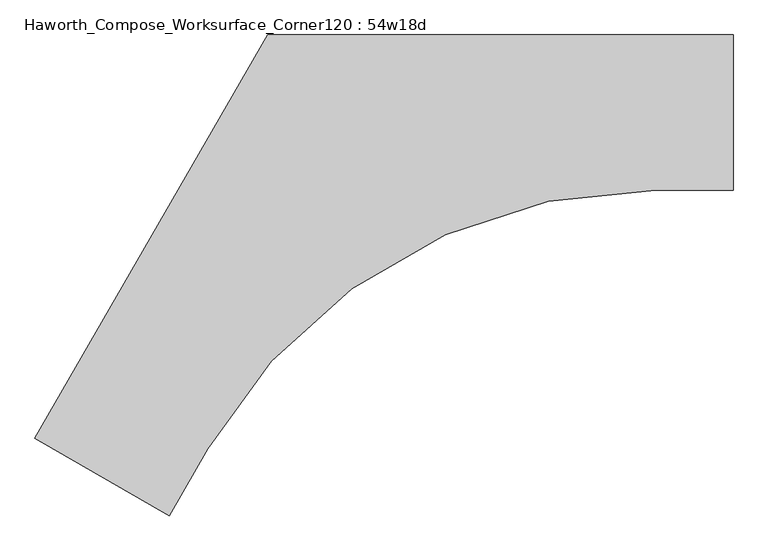
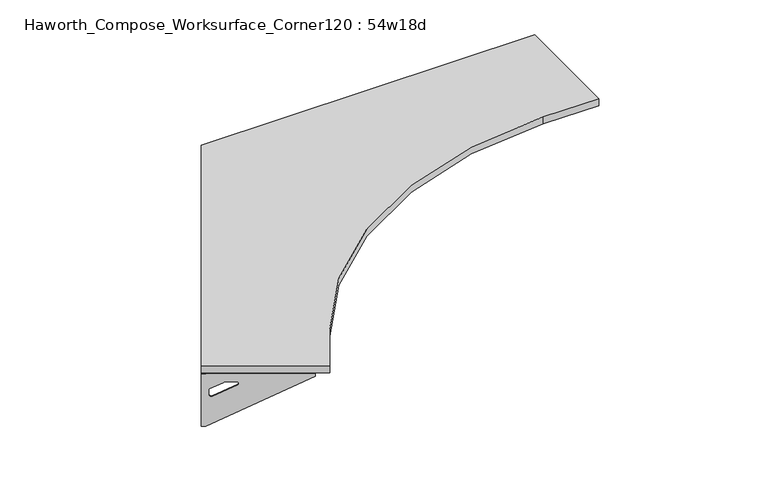
"""IFC4 building model written with IfcOpenShell, lengths in millimetres: furniture geometry, Haworth_Compose_Worksurface_Corner120 : 54w18d."""

import ifcopenshell
import ifcopenshell.guid

model = None  # the IFC model being written
_history = None  # IfcOwnerHistory: only IFC2X3 demands one
_inside = {}  # id of a spatial element -> (the spatial element, [elements in it])
_under = {}  # id of a project, library or spatial element -> (it, [spatial elements below it])
_declared = {}  # id of a project -> (the project, [libraries it declares])
_typed = {}  # id of a type object -> (the type object, [elements of that type])
_made_of = {}  # id of a material, layer set ... -> (it, [elements and type objects made of it])


def new_model(schema):
    """Start an empty IFC model of exactly this schema.

    Asked for "IFC4X3", IfcOpenShell would pick the latest addendum, in which some entities
    have other attributes; the version numbers below select the first issue.
    IFC2X3 requires an IfcOwnerHistory on every rooted entity: one is made here for all.
    """
    global model, _history
    if schema == "IFC4X3":
        model = ifcopenshell.file(schema_version=(4, 3, 0, 0))
    else:
        model = ifcopenshell.file(schema=schema)
    _inside.clear()
    _under.clear()
    _declared.clear()
    _typed.clear()
    _made_of.clear()
    _history = None
    if model.schema == "IFC2X3":
        org = make("IfcOrganization", Name="unknown")
        user = make(
            "IfcPersonAndOrganization",
            ThePerson=make("IfcPerson", FamilyName="unknown"),
            TheOrganization=org,
        )
        app = make(
            "IfcApplication",
            ApplicationDeveloper=org,
            Version="unknown",
            ApplicationFullName="unknown",
            ApplicationIdentifier="unknown",
        )
        _history = make(
            "IfcOwnerHistory",
            OwningUser=user,
            OwningApplication=app,
            ChangeAction="ADDED",
            CreationDate=0,
        )
    return model


def make(cls, **values):
    """One entity of the class cls with the attributes given. An attribute that is None is left unset."""
    return model.create_entity(
        cls, **{name: value for name, value in values.items() if value is not None}
    )


def rooted(cls, **values):
    """An entity with a GlobalId (a new one), such as an element, a storey or a relation."""
    return make(cls, GlobalId=ifcopenshell.guid.new(), OwnerHistory=_history, **values)


def si_unit(unit_type, name, prefix=None):
    """IfcSIUnit, for example si_unit("LENGTHUNIT", "METRE", prefix="MILLI")."""
    return make("IfcSIUnit", UnitType=unit_type, Prefix=prefix, Name=name)


def assignment(units):
    """IfcUnitAssignment: the units of a project."""
    return None if units is None else make("IfcUnitAssignment", Units=units)


def point(xyz):
    """IfcCartesianPoint."""
    return None if xyz is None else make("IfcCartesianPoint", Coordinates=xyz)


def direction(xyz):
    """IfcDirection."""
    return None if xyz is None else make("IfcDirection", DirectionRatios=xyz)


def frame(location, z_axis=None, x_axis=None):
    """IfcAxis2Placement3D, a coordinate frame: its origin and axes. An axis left out is left unset."""
    return make(
        "IfcAxis2Placement3D",
        Location=point(location),
        Axis=direction(z_axis),
        RefDirection=direction(x_axis),
    )


def frame_2d(location, x_axis=None):
    """IfcAxis2Placement2D, a coordinate frame in the plane: its origin and x axis."""
    return make(
        "IfcAxis2Placement2D", Location=point(location), RefDirection=direction(x_axis)
    )


def origin():
    """The frame at (0, 0, 0) with its axes left unset."""
    return frame((0.0, 0.0, 0.0))


def place(relative_to, where):
    """IfcLocalPlacement: puts the frame where relative to a parent placement (None: the world)."""
    return make(
        "IfcLocalPlacement", PlacementRelTo=relative_to, RelativePlacement=where
    )


def context(
    kind, dimensions, precision=None, world=None, true_north=None, identifier=None
):
    """IfcGeometricRepresentationContext, for example the 3D "Model" context."""
    return make(
        "IfcGeometricRepresentationContext",
        ContextIdentifier=identifier,
        ContextType=kind,
        CoordinateSpaceDimension=dimensions,
        Precision=precision,
        WorldCoordinateSystem=world,
        TrueNorth=true_north,
    )


def project(units=None, contexts=None):
    """IfcProject with its units and contexts."""
    return rooted(
        "IfcProject",
        Name="project",
        RepresentationContexts=contexts,
        UnitsInContext=assignment(units),
    )


def spatial(cls, under=None, at=None, **own):
    """A site, building, storey or space (cls), placed at a placement, below another one or the project."""
    s = rooted(cls, ObjectPlacement=at, **own)
    if under is not None:
        _under.setdefault(under.id(), (under, []))[1].append(s)
    return s


def polyline(points):
    """IfcPolyline through the points."""
    return make("IfcPolyline", Points=[point(p) for p in points])


def circle_curve(where, radius):
    """IfcCircle in the frame where."""
    return make("IfcCircle", Position=where, Radius=radius)


def trimmed(basis, trim1, trim2, sense, master):
    """IfcTrimmedCurve: the piece of a basis curve between two trims."""
    return make(
        "IfcTrimmedCurve",
        BasisCurve=basis,
        Trim1=trim1,
        Trim2=trim2,
        SenseAgreement=sense,
        MasterRepresentation=master,
    )


def segment(curve, same_sense, transition):
    """IfcCompositeCurveSegment."""
    return make(
        "IfcCompositeCurveSegment",
        Transition=transition,
        SameSense=same_sense,
        ParentCurve=curve,
    )


def composite_curve(segments, self_intersect=None):
    """IfcCompositeCurve: segments joined end to end."""
    return make("IfcCompositeCurve", Segments=segments, SelfIntersect=self_intersect)


def outline(outer, holes=None, kind="AREA"):
    """IfcArbitraryClosedProfileDef: a profile drawn as a closed curve; with holes, ...WithVoids."""
    if holes is None:
        return make("IfcArbitraryClosedProfileDef", ProfileType=kind, OuterCurve=outer)
    return make(
        "IfcArbitraryProfileDefWithVoids",
        ProfileType=kind,
        OuterCurve=outer,
        InnerCurves=holes,
    )


def extrude(swept, where, along, depth):
    """IfcExtrudedAreaSolid: the profile swept, set in the frame where, extruded along a direction by depth."""
    return make(
        "IfcExtrudedAreaSolid",
        SweptArea=swept,
        Position=where,
        ExtrudedDirection=direction(along),
        Depth=depth,
    )


def shape(context_of_items, identifier, shape_type, items):
    """IfcShapeRepresentation: the items that make up one representation, for example the "Body"."""
    return make(
        "IfcShapeRepresentation",
        ContextOfItems=context_of_items,
        RepresentationIdentifier=identifier,
        RepresentationType=shape_type,
        Items=items,
    )


def source(mapping_origin, context_of_items, identifier, shape_type, items):
    """IfcRepresentationMap: a shape defined once, which mapped items show again and again."""
    return make(
        "IfcRepresentationMap",
        MappingOrigin=mapping_origin,
        MappedRepresentation=shape(context_of_items, identifier, shape_type, items),
    )


def transform(
    local_origin,
    x_axis=None,
    y_axis=None,
    z_axis=None,
    scale=None,
    scale2=None,
    scale3=None,
    uniform=True,
):
    """IfcCartesianTransformationOperator3D, or its non-uniform kind. x_axis, y_axis, z_axis: its Axis1, 2, 3."""
    if uniform:
        return make(
            "IfcCartesianTransformationOperator3D",
            Axis1=direction(x_axis),
            Axis2=direction(y_axis),
            LocalOrigin=point(local_origin),
            Scale=scale,
            Axis3=direction(z_axis),
        )
    return make(
        "IfcCartesianTransformationOperator3DnonUniform",
        Axis1=direction(x_axis),
        Axis2=direction(y_axis),
        LocalOrigin=point(local_origin),
        Scale=scale,
        Axis3=direction(z_axis),
        Scale2=scale2,
        Scale3=scale3,
    )


def mapped(mapping_source, mapping_target):
    """IfcMappedItem: shows the shape of a source again, moved by a transform."""
    return make(
        "IfcMappedItem", MappingSource=mapping_source, MappingTarget=mapping_target
    )


def made_of(thing, what):
    """Note that an element or type object is made of a material, layer set ...; save() writes the relation."""
    if what is not None:
        _made_of.setdefault(what.id(), (what, []))[1].append(thing)
    return thing


def element(
    cls,
    number,
    at=None,
    inside=None,
    cuts=None,
    type_object=None,
    material=None,
    context=None,
    identifier="Body",
    shape_type=None,
    held_by="IfcProductDefinitionShape",
    body=None,
    shapes=None,
    **own,
):
    """One element of the class cls, such as IfcWall. Its Tag is "e" and its number.

    at: its placement. inside: the storey or other place that contains it. cuts: it is an
    opening in that element (IfcRelVoidsElement). A single representation is given by context,
    identifier, shape_type and body (its items); several are given by shapes. held_by: the class
    of the entity that holds the representations. save() writes the other relations.
    """
    e = rooted(cls, Tag="e%d" % number, ObjectPlacement=at, **own)
    if body is not None:
        shapes = [shape(context, identifier, shape_type, body)]
    if shapes is not None:
        e.Representation = make(held_by, Representations=shapes)
    if inside is not None:
        _inside.setdefault(inside.id(), (inside, []))[1].append(e)
    if cuts is not None:
        rooted(
            "IfcRelVoidsElement", RelatingBuildingElement=cuts, RelatedOpeningElement=e
        )
    if type_object is not None:
        _typed.setdefault(type_object.id(), (type_object, []))[1].append(e)
    return made_of(e, material)


def aggregate(whole, parts):
    """IfcRelAggregates: a whole, such as a stair, and the parts it consists of."""
    return rooted("IfcRelAggregates", RelatingObject=whole, RelatedObjects=parts)


def save(model, path):
    """Write the relations noted so far, then the file.

    IfcRelAggregates (storeys below a building ...), IfcRelContainedInSpatialStructure (elements
    in a storey), IfcRelDefinesByType, IfcRelAssociatesMaterial and IfcRelDeclares: one each for
    every whole, place, type object, material and project.
    """
    for whole, parts in _under.values():
        aggregate(whole, parts)
    for where, things in _inside.values():
        rooted(
            "IfcRelContainedInSpatialStructure",
            RelatedElements=things,
            RelatingStructure=where,
        )
    for kind, things in _typed.values():
        rooted("IfcRelDefinesByType", RelatedObjects=things, RelatingType=kind)
    for what, things in _made_of.values():
        rooted("IfcRelAssociatesMaterial", RelatedObjects=things, RelatingMaterial=what)
    for by, libraries in _declared.values():
        rooted("IfcRelDeclares", RelatingContext=by, RelatedDefinitions=libraries)
    model.write(path)


def plane_surface(at):
    """IfcPlane: the flat surface through the origin of the frame at, square to its z axis."""
    return make("IfcPlane", Position=at)


def revolved_surface(curve, axis_point, axis_direction):
    """IfcSurfaceOfRevolution: the curve turned about the line through axis_point along axis_direction."""
    return make(
        "IfcSurfaceOfRevolution",
        SweptCurve=make("IfcArbitraryOpenProfileDef", ProfileType="CURVE", Curve=curve),
        AxisPosition=make("IfcAxis1Placement", Location=point(axis_point), Axis=direction(axis_direction)),
    )


def advanced_brep(points, edges, surfaces, faces):
    """IfcAdvancedBrep: a solid bounded by faces that lie on surfaces and meet in shared edges.

    An edge is (start, end): straight between two places in points (the first is 0);
    or (start, end, curve); or (start, end, curve, False) where it runs against its curve.
    A face is (place in surfaces, loops), or (place, loops, False) where it looks against
    its surface's normal. A loop lists edges by number (the first is 1), with a minus sign
    where the edge is run from its end to its start. The first loop is the outer one.
    """
    corners = [point(p) for p in points]
    vertices = [make("IfcVertexPoint", VertexGeometry=c) for c in corners]
    made = []
    for start, end, *more in edges:
        made.append(
            make(
                "IfcEdgeCurve",
                EdgeStart=vertices[start],
                EdgeEnd=vertices[end],
                EdgeGeometry=more[0] if more else make("IfcPolyline", Points=[corners[start], corners[end]]),
                SameSense=more[1] if len(more) > 1 else True,
            )
        )
    hull = []
    for where, loops, *sense in faces:
        bounds = []
        for j, loop in enumerate(loops):
            ring = [make("IfcOrientedEdge", EdgeElement=made[abs(k) - 1], Orientation=k > 0) for k in loop]
            bounds.append(
                make(
                    "IfcFaceOuterBound" if j == 0 else "IfcFaceBound",
                    Bound=make("IfcEdgeLoop", EdgeList=ring),
                    Orientation=True,
                )
            )
        hull.append(make("IfcAdvancedFace", Bounds=bounds, FaceSurface=surfaces[where], SameSense=sense[0] if sense else True))
    return make("IfcAdvancedBrep", Outer=make("IfcClosedShell", CfsFaces=hull))


def haworth_compose_worksurface_corner120_54w18d_a9862cec(model_context):
    return source(origin(), model_context, "Body", "SolidModel", [
        advanced_brep(
        [(607.21875, 304.8, 473.86875), (607.21875, 288.925, 473.86875), (607.21875, -101.6, 690.1317568), (607.21875, -101.6, 702.46875), (607.21875, 288.925, 702.46875), (607.21875, 304.8, 702.46875), (607.21875, 221.490072, 664.36875), (607.21875, 177.8355284, 664.36875), (607.21875, 175.1564235, 654.7830539), (607.21875, 266.8776173, 603.9901439), (607.21875, 276.225, 609.5881969), (607.21875, 276.225, 633.0985246), (607.21875, 274.4730055, 635.9367776), (607.21875, 224.5663437, 663.5738425), (609.6, 304.8, 473.86875), (609.6, 304.8, 702.46875), (609.6, 288.925, 702.46875), (609.6, 288.925, 704.85), (609.6, -101.6, 704.85), (609.6, -101.6, 690.1317568), (609.6, 288.925, 473.86875), (609.6, 221.490072, 664.36875), (609.6, 224.5663437, 663.5738425), (609.6, 274.4730055, 635.9367776), (609.6, 276.225, 633.0985246), (609.6, 276.225, 609.5881969), (609.6, 266.8776173, 603.9901439), (609.6, 175.1564235, 654.7830539), (609.6, 177.8355284, 664.36875), (568.325, -101.6, 704.85), (568.325, -101.6, 702.46875), (568.325, 288.925, 702.46875), (568.325, 288.925, 704.85)],
        [
            (0, 1),
            (1, 2),
            (2, 3),
            (3, 4),
            (4, 5),
            (5, 0),
            (6, 7),
            (7, 8, circle_curve(frame((607.21875, 177.8355284, 659.2015106), z_axis=(1.0, 0.0, 0.0), x_axis=(0.0, -1.0, 0.0)), 5.1672394)),
            (8, 9),
            (9, 10, circle_curve(frame((607.21875, 269.875, 609.5881969), z_axis=(1.0, 0.0, 0.0), x_axis=(0.0, -1.0, 0.0)), 6.35)),
            (10, 11),
            (11, 12, circle_curve(frame((607.21875, 273.05, 633.0985246), z_axis=(1.0, 0.0, 0.0), x_axis=(0.0, -1.0, 0.0)), 3.175)),
            (12, 13),
            (13, 6, circle_curve(frame((607.21875, 221.490072, 658.01875), z_axis=(1.0, 0.0, 0.0), x_axis=(0.0, -1.0, 0.0)), 6.35)),
            (14, 15),
            (15, 16),
            (16, 17),
            (17, 18),
            (18, 19),
            (19, 20),
            (20, 14),
            (21, 22, circle_curve(frame((609.6, 221.490072, 658.01875), z_axis=(-1.0, 0.0, 0.0), x_axis=(0.0, -1.0, 0.0)), 6.35)),
            (22, 23),
            (23, 24, circle_curve(frame((609.6, 273.05, 633.0985246), z_axis=(-1.0, 0.0, 0.0), x_axis=(0.0, -1.0, 0.0)), 3.175)),
            (24, 25),
            (25, 26, circle_curve(frame((609.6, 269.875, 609.5881969), z_axis=(-1.0, 0.0, 0.0), x_axis=(0.0, -1.0, 0.0)), 6.35)),
            (26, 27),
            (27, 28, circle_curve(frame((609.6, 177.8355284, 659.2015106), z_axis=(-1.0, 0.0, 0.0), x_axis=(0.0, -1.0, 0.0)), 5.1672394)),
            (28, 21),
            (4, 16),
            (15, 5),
            (14, 0),
            (20, 1),
            (19, 2),
            (18, 29),
            (29, 30),
            (30, 3),
            (6, 21),
            (28, 7),
            (9, 26),
            (25, 10),
            (24, 11),
            (23, 12),
            (27, 8),
            (31, 4),
            (30, 31),
            (32, 29),
            (17, 32),
            (31, 32),
            (22, 13),
        ],
        [
            plane_surface(frame((607.21875, 304.8, 473.86875), z_axis=(-1.0, 0.0, 0.0), x_axis=(0.0, 1.0, 0.0))),
            plane_surface(frame((609.6, 304.8, 473.86875), z_axis=(1.0, 0.0, 0.0), x_axis=(0.0, -1.0, 0.0))),
            plane_surface(frame((609.6, -101.6, 702.46875), z_axis=(0.0, 0.0, 1.0), x_axis=(-1.0, 0.0, 0.0))),
            plane_surface(frame((609.6, 304.8, 702.46875), z_axis=(0.0, 1.0, 0.0), x_axis=(-1.0, 0.0, 0.0))),
            plane_surface(frame((609.6, 304.8, 473.86875), z_axis=(0.0, 0.0, -1.0), x_axis=(-1.0, 0.0, 0.0))),
            plane_surface(frame((609.6, 288.925, 473.86875), z_axis=(0.0, -0.4844522351345575, -0.8748177135112957), x_axis=(-1.0, 0.0, 0.0))),
            plane_surface(frame((609.6, -101.6, 690.1317568), z_axis=(0.0, -1.0, 0.0), x_axis=(-1.0, 0.0, 0.0))),
            plane_surface(frame((609.6, 221.490072, 664.36875), z_axis=(0.0, 0.0, -1.0), x_axis=(-1.0, 0.0, 0.0))),
            revolved_surface(polyline([(607.21875, 263.525, 609.5881969), (609.6, 263.525, 609.5881969)]), (609.6, 269.875, 609.5881969), (-1.0, 0.0, 0.0)),
            plane_surface(frame((609.6, 276.225, 609.5881969), z_axis=(0.0, -1.0, 0.0), x_axis=(-1.0, 0.0, 0.0))),
            revolved_surface(polyline([(607.21875, 269.875, 633.0985246), (609.6, 269.875, 633.0985246)]), (609.6, 273.05, 633.0985246), (-1.0, 0.0, 0.0)),
            revolved_surface(polyline([(607.21875, 172.668289, 659.2015106), (609.6, 172.668289, 659.2015106)]), (609.6, 177.8355284, 659.2015106), (-1.0, 0.0, 0.0)),
            plane_surface(frame((609.6, 288.925, 702.46875), z_axis=(0.0, 0.0, -1.0), x_axis=(-1.0, 0.0, 0.0))),
            plane_surface(frame((609.6, 288.925, 704.85), z_axis=(0.0, 0.0, 1.0), x_axis=(1.0, 0.0, 0.0))),
            plane_surface(frame((568.325, 288.925, 704.85), z_axis=(0.0, 1.0, 0.0), x_axis=(0.0, 0.0, -1.0))),
            plane_surface(frame((568.325, -101.6, 704.85), z_axis=(-1.0, 0.0, 0.0), x_axis=(0.0, 0.0, -1.0))),
            plane_surface(frame((609.6, 175.1564235, 654.7830539), z_axis=(0.0, 0.4844522351341526, 0.8748177135115199), x_axis=(-1.0, 0.0, 0.0))),
            plane_surface(frame((609.6, 274.4730055, 635.9367776), z_axis=(0.0, -0.48445223513456226, -0.874817713511293), x_axis=(-1.0, 0.0, 0.0))),
            revolved_surface(polyline([(607.21875, 215.140072, 658.01875), (609.6, 215.140072, 658.01875)]), (609.6, 221.490072, 658.01875), (-1.0, 0.0, 0.0)),
        ],
        [
            (0, [[1, 2, 3, 4, 5, 6], [7, 8, 9, 10, 11, 12, 13, 14]]),
            (1, [[15, 16, 17, 18, 19, 20, 21], [22, 23, 24, 25, 26, 27, 28, 29]]),
            (2, [[-5, 30, -16, 31]]),
            (3, [[-31, -15, 32, -6]]),
            (4, [[-32, -21, 33, -1]]),
            (5, [[-33, -20, 34, -2]]),
            (6, [[-34, -19, 35, 36, 37, -3]]),
            (7, [[38, -29, 39, -7]]),
            (8, [[40, -26, 41, -10]]),
            (9, [[-41, -25, 42, -11]]),
            (10, [[-42, -24, 43, -12]]),
            (11, [[-39, -28, 44, -8]]),
            (12, [[45, -4, -37, 46]]),
            (13, [[47, -35, -18, 48]]),
            (14, [[-17, -30, -45, 49, -48]]),
            (15, [[-36, -47, -49, -46]]),
            (16, [[-44, -27, -40, -9]]),
            (17, [[-43, -23, 50, -13]]),
            (18, [[-50, -22, -38, -14]]),
        ],
    ),
        advanced_brep(
        [(-1446.609375, -880.9782208, 473.86875), (-1446.609375, -880.9782208, 702.46875), (-1432.8612217, -888.9157208, 702.46875), (-1094.6566509, -1084.1782208, 702.46875), (-1094.6566509, -1084.1782208, 690.1317568), (-1432.8612217, -888.9157208, 473.86875), (-1374.460861, -922.6331848, 664.36875), (-1377.1249904, -921.095049, 663.5738425), (-1420.3454274, -896.1417181, 635.9367776), (-1421.8626991, -895.2657208, 633.0985246), (-1421.8626991, -895.2657208, 609.5881969), (-1413.7676282, -899.9394122, 603.9901439), (-1334.3347443, -945.8000091, 654.7830539), (-1336.6549172, -944.4604566, 664.36875), (-1447.8, -883.0404438, 473.86875), (-1434.0518467, -890.9779438, 473.86875), (-1095.8472759, -1086.2404438, 690.1317568), (-1095.8472759, -1086.2404438, 704.85), (-1434.0518467, -890.9779438, 704.85), (-1434.0518467, -890.9779438, 702.46875), (-1447.8, -883.0404438, 702.46875), (-1375.651486, -924.6954078, 664.36875), (-1337.8455422, -946.5226796, 664.36875), (-1335.5253693, -947.8622321, 654.7830539), (-1414.9582532, -902.0016352, 603.9901439), (-1423.0533241, -897.3279438, 609.5881969), (-1423.0533241, -897.3279438, 633.0985246), (-1421.5360524, -898.2039411, 635.9367776), (-1378.3156154, -923.157272, 663.5738425), (-1075.2097759, -1050.4952453, 702.46875), (-1075.2097759, -1050.4952453, 704.85), (-1413.4143467, -855.2327453, 702.46875), (-1413.4143467, -855.2327453, 704.85)],
        [
            (0, 1),
            (1, 2),
            (2, 3),
            (3, 4),
            (4, 5),
            (5, 0),
            (6, 7, circle_curve(frame((-1374.460861, -922.6331848, 658.01875), z_axis=(-0.5000000000000026, -0.8660254037844374, 0.0), x_axis=(0.8660254037844372, -0.5000000000000024, 0.0)), 6.35)),
            (7, 8),
            (8, 9, circle_curve(frame((-1419.1130684, -896.8532208, 633.0985246), z_axis=(-0.5000000000000026, -0.8660254037844374, 0.0), x_axis=(0.8660254037844372, -0.5000000000000024, 0.0)), 3.175)),
            (9, 10),
            (10, 11, circle_curve(frame((-1416.3634378, -898.4407208, 609.5881969), z_axis=(-0.5000000000000026, -0.8660254037844374, 0.0), x_axis=(0.8660254037844372, -0.5000000000000024, 0.0)), 6.35)),
            (11, 12),
            (12, 13, circle_curve(frame((-1336.6549172, -944.4604566, 659.2015106), z_axis=(-0.5000000000000026, -0.8660254037844374, 0.0), x_axis=(0.8660254037844372, -0.5000000000000024, 0.0)), 5.1672394)),
            (13, 6),
            (14, 15),
            (15, 16),
            (16, 17),
            (17, 18),
            (18, 19),
            (19, 20),
            (20, 14),
            (21, 22),
            (22, 23, circle_curve(frame((-1337.8455422, -946.5226796, 659.2015106), z_axis=(0.5000000000000026, 0.8660254037844374, 0.0), x_axis=(0.8660254037844372, -0.5000000000000024, 0.0)), 5.1672394)),
            (23, 24),
            (24, 25, circle_curve(frame((-1417.5540628, -900.5029438, 609.5881969), z_axis=(0.5000000000000026, 0.8660254037844374, 0.0), x_axis=(0.8660254037844372, -0.5000000000000024, 0.0)), 6.35)),
            (25, 26),
            (26, 27, circle_curve(frame((-1420.3036934, -898.9154438, 633.0985246), z_axis=(0.5000000000000026, 0.8660254037844374, 0.0), x_axis=(0.8660254037844372, -0.5000000000000024, 0.0)), 3.175)),
            (27, 28),
            (28, 21, circle_curve(frame((-1375.651486, -924.6954078, 658.01875), z_axis=(0.5000000000000026, 0.8660254037844374, 0.0), x_axis=(0.8660254037844372, -0.5000000000000024, 0.0)), 6.35)),
            (1, 20),
            (19, 2),
            (0, 14),
            (5, 15),
            (4, 16),
            (3, 29),
            (29, 30),
            (30, 17),
            (13, 22),
            (21, 6),
            (10, 25),
            (24, 11),
            (9, 26),
            (8, 27),
            (12, 23),
            (31, 29),
            (2, 31),
            (32, 18),
            (30, 32),
            (32, 31),
            (7, 28),
        ],
        [
            plane_surface(frame((-1446.609375, -880.9782208, 473.86875), z_axis=(0.5000000000000026, 0.8660254037844373, 0.0), x_axis=(-0.8660254037844373, 0.5000000000000026, 0.0))),
            plane_surface(frame((-1447.8, -883.0404438, 473.86875), z_axis=(-0.5000000000000026, -0.8660254037844373, 0.0), x_axis=(0.8660254037844373, -0.5000000000000026, 0.0))),
            plane_surface(frame((-1095.8472759, -1086.2404438, 702.46875), z_axis=(0.0, 0.0, 1.0), x_axis=(0.5000000000000011, 0.866025403784438, 0.0))),
            plane_surface(frame((-1447.8, -883.0404438, 702.46875), z_axis=(-0.866025403784438, 0.5000000000000011, 0.0), x_axis=(0.5000000000000011, 0.866025403784438, 0.0))),
            plane_surface(frame((-1447.8, -883.0404438, 473.86875), z_axis=(0.0, 0.0, -1.0), x_axis=(0.5000000000000011, 0.866025403784438, 0.0))),
            plane_surface(frame((-1434.0518467, -890.9779438, 473.86875), z_axis=(0.41954794254667943, -0.24222611756727808, -0.8748177135112957), x_axis=(0.5000000000000011, 0.866025403784438, 0.0))),
            plane_surface(frame((-1095.8472759, -1086.2404438, 690.1317568), z_axis=(0.866025403784438, -0.5000000000000011, 0.0), x_axis=(0.5000000000000011, 0.866025403784438, 0.0))),
            plane_surface(frame((-1375.651486, -924.6954078, 664.36875), z_axis=(0.0, 0.0, -1.0), x_axis=(0.5000000000000011, 0.866025403784438, 0.0))),
            revolved_surface(polyline([(-1410.864176479327, -901.615720795734, 609.5881969), (-1412.0548014983856, -903.6779438215062, 609.5881969)]), (-1417.5540628, -900.5029438, 609.5881969), (0.5000000000000024, 0.8660254037844372, 0.0)),
            plane_surface(frame((-1423.0533241, -897.3279438, 609.5881969), z_axis=(0.866025403784438, -0.5000000000000011, 0.0), x_axis=(0.5000000000000011, 0.866025403784438, 0.0))),
            revolved_surface(polyline([(-1416.36343773985, -898.4407208018096, 633.0985246), (-1417.5540627864536, -900.5029438752912, 633.0985246)]), (-1420.3036934, -898.9154438, 633.0985246), (0.5000000000000024, 0.8660254037844372, 0.0)),
            revolved_surface(polyline([(-1332.17995660903, -947.0440763018096, 659.2015106), (-1333.3705816345157, -949.1062993387139, 659.2015106)]), (-1337.8455422, -946.5226796, 659.2015106), (0.5000000000000024, 0.8660254037844372, 0.0)),
            plane_surface(frame((-1434.0518467, -890.9779438, 702.46875), z_axis=(0.0, 0.0, -1.0), x_axis=(0.5000000000000011, 0.866025403784438, 0.0))),
            plane_surface(frame((-1434.0518467, -890.9779438, 704.85), z_axis=(0.0, 0.0, 1.0), x_axis=(-0.5000000000000011, -0.866025403784438, 0.0))),
            plane_surface(frame((-1413.4143467, -855.2327453, 704.85), z_axis=(-0.866025403784438, 0.5000000000000011, 0.0), x_axis=(0.0, 0.0, -1.0))),
            plane_surface(frame((-1075.2097759, -1050.4952453, 704.85), z_axis=(0.5000000000000011, 0.866025403784438, 0.0), x_axis=(0.0, 0.0, -1.0))),
            plane_surface(frame((-1335.5253693, -947.8622321, 654.7830539), z_axis=(-0.41954794254632877, 0.24222611756707563, 0.87481771351152), x_axis=(0.5000000000000011, 0.866025403784438, 0.0))),
            plane_surface(frame((-1421.5360524, -898.2039411, 635.9367776), z_axis=(0.4195479425466836, -0.24222611756728046, -0.874817713511293), x_axis=(0.5000000000000011, 0.866025403784438, 0.0))),
            revolved_surface(polyline([(-1368.9615996828345, -925.8081848018096, 658.01875), (-1370.1522246973336, -927.8704078196846, 658.01875)]), (-1375.651486, -924.6954078, 658.01875), (0.5000000000000024, 0.8660254037844372, 0.0)),
        ],
        [
            (0, [[1, 2, 3, 4, 5, 6], [7, 8, 9, 10, 11, 12, 13, 14]]),
            (1, [[15, 16, 17, 18, 19, 20, 21], [22, 23, 24, 25, 26, 27, 28, 29]]),
            (2, [[30, -20, 31, -2]]),
            (3, [[-1, 32, -21, -30]]),
            (4, [[-6, 33, -15, -32]]),
            (5, [[-5, 34, -16, -33]]),
            (6, [[-4, 35, 36, 37, -17, -34]]),
            (7, [[-14, 38, -22, 39]]),
            (8, [[-11, 40, -25, 41]]),
            (9, [[-10, 42, -26, -40]]),
            (10, [[-9, 43, -27, -42]]),
            (11, [[-13, 44, -23, -38]]),
            (12, [[45, -35, -3, 46]]),
            (13, [[47, -18, -37, 48]]),
            (14, [[-47, 49, -46, -31, -19]]),
            (15, [[-45, -49, -48, -36]]),
            (16, [[-12, -41, -24, -44]]),
            (17, [[-8, 50, -28, -43]]),
            (18, [[-7, -39, -29, -50]]),
        ],
    ),
        extrude(outline(composite_curve([segment(polyline([(-1447.8, -883.0404438), (-762.0, 304.8), (609.6, 304.8), (609.6, -152.4), (381.8463533, -152.4)]), True, "CONTINUOUS"), segment(trimmed(circle_curve(frame_2d((381.8463533, -1676.4)), 1524.0), [point((381.8463533, -152.4))], [point((-937.976362, -914.4))], True, "CARTESIAN"), True, "CONTINUOUS"), segment(polyline([(-937.976362, -914.4), (-1051.8531854, -1111.6404438), (-1447.8, -883.0404438)]), True, "CONTINUOUS")], self_intersect=False)), frame((0.0, 0.0, 706.4375), z_axis=(0.0, 0.0, 1.0), x_axis=(1.0, 0.0, 0.0)), (0.0, 0.0, 1.0), 30.1625),
    ])


if __name__ == "__main__":
    model = new_model("IFC4")
    model_context = context("Model", 3, world=origin())
    ifc_project = project(units=[si_unit("LENGTHUNIT", "METRE", prefix="MILLI")], contexts=[model_context])
    site = spatial("IfcSite", under=ifc_project)
    building = spatial("IfcBuilding", under=site)
    placement = place(None, origin())
    haworth_compose_worksurface_corner120_54w18d_shape = haworth_compose_worksurface_corner120_54w18d_a9862cec(model_context)
    element("IfcFurniture", 1, ObjectType="Haworth_Compose_Worksurface_Corner120 : 54w18d", at=placement, inside=building, context=model_context, shape_type="MappedRepresentation", body=[
        mapped(haworth_compose_worksurface_corner120_54w18d_shape, transform((0.0, 0.0, 0.0), x_axis=(1.0, 0.0, 0.0), y_axis=(0.0, 1.0, 0.0), z_axis=(0.0, 0.0, 1.0))),
    ])
    save(model, "model.ifc")
